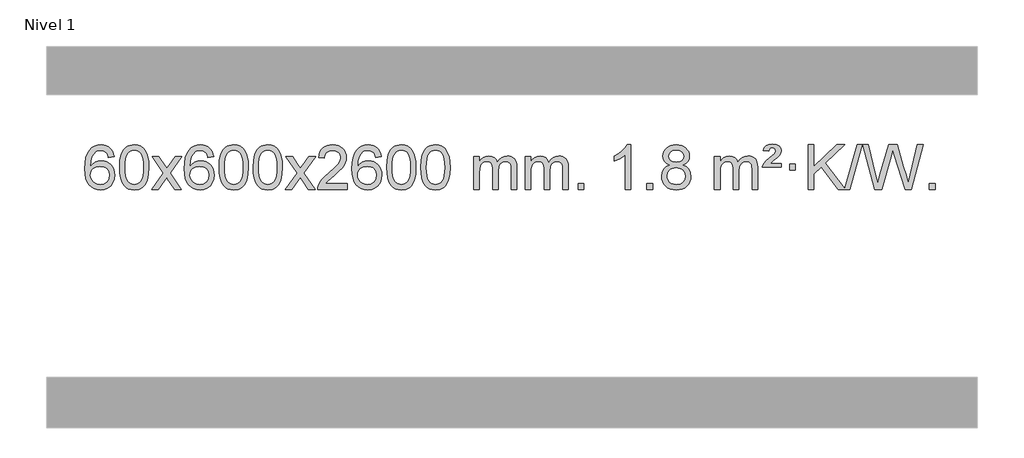
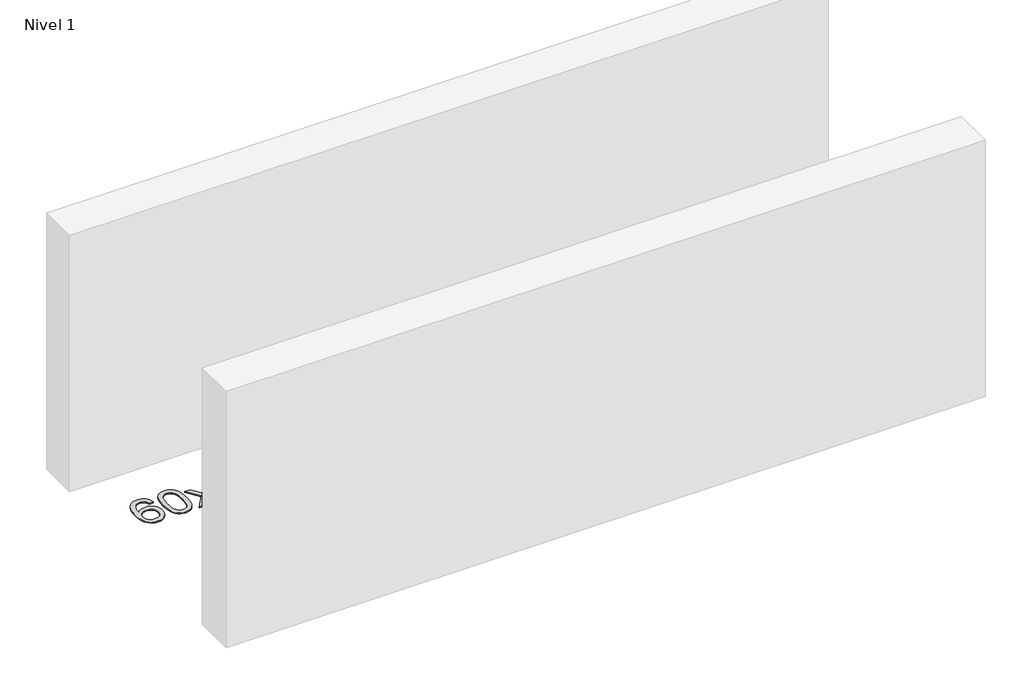
# One storey, part 8 of 8: 1 proxy.
"""IFC4 building model written with IfcOpenShell, lengths in millimetres."""

from ifc_helpers import new_model, si_unit, origin, origin_with_axes, place, context, project, spatial, polyline, outline, extrude, element, save

model = new_model("IFC4")

# Units and contexts
model_context = context("Model", 3, world=origin())
ifc_project = project(units=[si_unit("LENGTHUNIT", "METRE", prefix="MILLI")], contexts=[model_context])

# Site, building, storey
site = spatial("IfcSite", under=ifc_project)
building = spatial("IfcBuilding", under=site)
storey = spatial("IfcBuildingStorey", under=building, Name="Nivel 1", Elevation=0.0)

# Proxy
placement = place(None, origin())
element("IfcBuildingElementProxy", 1, Name="Texto de modelo 1", ObjectType="Texto de modelo 1", at=placement, inside=storey, context=model_context, shape_type="SweptSolid", body=[
    extrude(outline(polyline([(-12868.7310862, 5929.5109581), (-12918.9592412, 5923.2324387), (-12927.0526451, 5948.125787), (-12937.9910031, 5965.1219352), (-12960.7751614, 5980.7937082), (-12988.3172601, 5986.0176325), (-13011.665504, 5982.9764747), (-13033.6403219, 5973.8530012), (-13052.5126682, 5954.6372983), (-13067.9269238, 5928.1865829), (-13078.3379843, 5890.772984), (-13082.2007452, 5838.6686307), (-13062.0530746, 5862.1762902), (-13037.907753, 5878.7432427), (-13011.113681, 5888.565692), (-12983.0197593, 5891.8398418), (-12958.8867005, 5889.601893), (-12936.617577, 5882.8880466), (-12916.212389, 5871.6983025), (-12897.6711365, 5856.0326609), (-12882.2630122, 5836.8230894), (-12871.2572092, 5815.0015557), (-12864.6537274, 5790.5680599), (-12862.4525668, 5763.5226018), (-12866.5973706, 5727.5560055), (-12879.031782, 5694.213634), (-12898.7257315, 5665.9357713), (-12924.6491494, 5645.1627013), (-12955.6248134, 5632.397196), (-12990.4755011, 5628.1420276), (-13020.4180298, 5630.9624563), (-13047.4604222, 5639.4237421), (-13071.6026781, 5653.5258853), (-13092.8447976, 5673.2688857), (-13110.1628426, 5699.4866092), (-13122.5328746, 5733.0129217), (-13129.9548939, 5773.8478232), (-13132.4289003, 5821.9913136), (-13129.6820481, 5875.9657337), (-13121.4414914, 5922.0306908), (-13107.7072302, 5960.1861851), (-13088.4792646, 5990.4322165), (-13067.6387496, 6010.4756538), (-13043.4750339, 6024.7923948), (-13015.9881175, 6033.3824394), (-12985.1780004, 6036.2457876), (-12962.0443542, 6034.4738227), (-12941.1057374, 6029.1579278), (-12922.3621497, 6020.2981031), (-12905.8135913, 6007.8943485), (-12891.9076519, 5992.3635969), (-12881.0919212, 5974.1227814), (-12873.3663993, 5953.1719017), (-12868.7310862, 5929.5109581)]), holes=[polyline([(-13082.2007452, 5764.3074168), (-13079.2944775, 5742.0505561), (-13070.5756742, 5720.7992395), (-13057.0376168, 5702.527767), (-13039.6735866, 5689.2104388), (-13018.7165756, 5681.0802467), (-12994.3995757, 5678.3701827), (-12961.253408, 5683.9865145), (-12947.3382715, 5691.0069292), (-12935.1951, 5700.8355099), (-12925.3450595, 5713.0737176), (-12918.3093164, 5727.3230135), (-12912.6807219, 5761.8548701), (-12918.23574, 5795.0010379), (-12925.1795126, 5808.6218688), (-12934.9007944, 5820.274531), (-12947.0807541, 5829.6095366), (-12961.4005608, 5836.2773978), (-12996.4597149, 5841.6116867), (-13029.5568317, 5836.2773978), (-13057.2338205, 5820.274531), (-13068.1568501, 5808.7751529), (-13075.9590141, 5795.6141746), (-13080.6403124, 5780.7915958), (-13082.2007452, 5764.3074168)])]), origin_with_axes(), (0.0, 0.0, 1.0), 10.0),
    extrude(outline(polyline([(-12818.5029311, 5832.0958057), (-12814.8118484, 5896.4138412), (-12803.7386004, 5947.7088541), (-12785.3935515, 5986.7656593), (-12773.5354886, 6001.9990395), (-12759.8870665, 6014.3690716), (-12744.4023002, 6023.9401349), (-12727.0352044, 6030.7766086), (-12686.654024, 6036.2457876), (-12655.7028855, 6033.008426), (-12627.9891085, 6023.2963414), (-12604.8125428, 6007.4896783), (-12587.4730381, 5985.9685816), (-12574.3764391, 5958.9169922), (-12563.9285904, 5926.5188512), (-12557.0859853, 5885.3773814), (-12554.805117, 5832.0958057), (-12558.4594114, 5768.1456523), (-12569.4222949, 5716.9732667), (-12587.6569791, 5677.8796734), (-12599.487451, 5662.6003078), (-12613.1266759, 5650.1658964), (-12628.6298363, 5640.5304538), (-12646.0521145, 5633.6479948), (-12686.654024, 5628.1420276), (-12714.3187501, 5630.5332606), (-12738.8442164, 5637.7069595), (-12760.2304231, 5649.6631243), (-12778.47737, 5666.4017551), (-12795.988553, 5696.6600492), (-12808.4965408, 5734.3618224), (-12816.0013335, 5779.5070745), (-12818.5029311, 5832.0958057)]), holes=[polyline([(-12768.274776, 5832.1939076), (-12766.803248, 5788.5293805), (-12762.3886641, 5753.1851178), (-12755.0310242, 5726.1611196), (-12744.7303283, 5707.4573858), (-12732.2713914, 5694.7317344), (-12718.4390284, 5685.6419835), (-12703.2332393, 5680.1881329), (-12686.654024, 5678.3701827), (-12670.0748088, 5680.1942643), (-12654.8690196, 5685.6665089), (-12641.0366566, 5694.7869167), (-12628.5777197, 5707.5554876), (-12618.2770239, 5726.2898783), (-12610.919384, 5753.3077451), (-12606.5048, 5788.6090882), (-12605.033272, 5832.1939076), (-12606.4557491, 5874.7026722), (-12610.7231802, 5909.4246011), (-12617.8355655, 5936.3596945), (-12627.7929048, 5955.5079524), (-12640.0433752, 5968.8559375), (-12654.0351538, 5978.3902125), (-12669.7682404, 5984.1107775), (-12687.2426352, 5986.0176325), (-12703.7360113, 5984.3376381), (-12718.6842831, 5979.2976548), (-12732.0874504, 5970.8976825), (-12743.9455134, 5959.1377214), (-12754.5895658, 5938.291075), (-12762.1924604, 5910.1848906), (-12766.7541971, 5874.8191681), (-12768.274776, 5832.1939076)])]), origin_with_axes(), (0.0, 0.0, 1.0), 10.0),
    extrude(outline(polyline([(-12529.6910394, 5634.420547), (-12422.3675987, 5782.7505675), (-12523.41252, 5929.5109581), (-12462.981771, 5929.5109581), (-12414.2251439, 5858.877615), (-12391.4655111, 5825.5229808), (-12371.7470362, 5852.7952993), (-12316.2213804, 5929.5109581), (-12255.7906313, 5929.5109581), (-12361.9368496, 5782.7505675), (-12259.7147059, 5634.420547), (-12320.145455, 5634.420547), (-12381.6553246, 5723.5951426), (-12392.9370391, 5739.8800523), (-12469.2602903, 5634.420547), (-12529.6910394, 5634.420547)])), origin_with_axes(), (0.0, 0.0, 1.0), 10.0),
    extrude(outline(polyline([(-11970.9028142, 5929.5109581), (-12021.1309693, 5923.2324387), (-12029.2243732, 5948.125787), (-12040.1627312, 5965.1219352), (-12062.9468894, 5980.7937082), (-12090.4889881, 5986.0176325), (-12113.8372321, 5982.9764747), (-12135.8120499, 5973.8530012), (-12154.6843963, 5954.6372983), (-12170.0986519, 5928.1865829), (-12180.5097123, 5890.772984), (-12184.3724733, 5838.6686307), (-12164.2248027, 5862.1762902), (-12140.0794811, 5878.7432427), (-12113.2854091, 5888.565692), (-12085.1914874, 5891.8398418), (-12061.0584285, 5889.601893), (-12038.7893051, 5882.8880466), (-12018.3841171, 5871.6983025), (-11999.8428645, 5856.0326609), (-11984.4347403, 5836.8230894), (-11973.4289372, 5815.0015557), (-11966.8254554, 5790.5680599), (-11964.6242948, 5763.5226018), (-11968.7690986, 5727.5560055), (-11981.2035101, 5694.213634), (-12000.8974596, 5665.9357713), (-12026.8208775, 5645.1627013), (-12057.7965415, 5632.397196), (-12092.6472291, 5628.1420276), (-12122.5897579, 5630.9624563), (-12149.6321502, 5639.4237421), (-12173.7744061, 5653.5258853), (-12195.0165257, 5673.2688857), (-12212.3345706, 5699.4866092), (-12224.7046027, 5733.0129217), (-12232.1266219, 5773.8478232), (-12234.6006284, 5821.9913136), (-12231.8537761, 5875.9657337), (-12223.6132194, 5922.0306908), (-12209.8789583, 5960.1861851), (-12190.6509927, 5990.4322165), (-12169.8104776, 6010.4756538), (-12145.6467619, 6024.7923948), (-12118.1598455, 6033.3824394), (-12087.3497284, 6036.2457876), (-12064.2160823, 6034.4738227), (-12043.2774654, 6029.1579278), (-12024.5338777, 6020.2981031), (-12007.9853193, 6007.8943485), (-11994.0793799, 5992.3635969), (-11983.2636492, 5974.1227814), (-11975.5381274, 5953.1719017), (-11970.9028142, 5929.5109581)]), holes=[polyline([(-12184.3724733, 5764.3074168), (-12181.4662055, 5742.0505561), (-12172.7474022, 5720.7992395), (-12159.2093448, 5702.527767), (-12141.8453146, 5689.2104388), (-12120.8883036, 5681.0802467), (-12096.5713038, 5678.3701827), (-12063.425136, 5683.9865145), (-12049.5099995, 5691.0069292), (-12037.366828, 5700.8355099), (-12027.5167876, 5713.0737176), (-12020.4810444, 5727.3230135), (-12014.8524499, 5761.8548701), (-12020.407468, 5795.0010379), (-12027.3512407, 5808.6218688), (-12037.0725224, 5820.274531), (-12049.2524821, 5829.6095366), (-12063.5722888, 5836.2773978), (-12098.6314429, 5841.6116867), (-12131.7285598, 5836.2773978), (-12159.4055485, 5820.274531), (-12170.3285781, 5808.7751529), (-12178.1307421, 5795.6141746), (-12182.8120405, 5780.7915958), (-12184.3724733, 5764.3074168)])]), origin_with_axes(), (0.0, 0.0, 1.0), 10.0),
    extrude(outline(polyline([(-11920.6746591, 5832.0958057), (-11916.9835765, 5896.4138412), (-11905.9103284, 5947.7088541), (-11887.5652796, 5986.7656593), (-11875.7072166, 6001.9990395), (-11862.0587946, 6014.3690716), (-11846.5740283, 6023.9401349), (-11829.2069324, 6030.7766086), (-11788.8257521, 6036.2457876), (-11757.8746135, 6033.008426), (-11730.1608366, 6023.2963414), (-11706.9842709, 6007.4896783), (-11689.6447662, 5985.9685816), (-11676.5481671, 5958.9169922), (-11666.1003185, 5926.5188512), (-11659.2577134, 5885.3773814), (-11656.976845, 5832.0958057), (-11660.6311395, 5768.1456523), (-11671.5940229, 5716.9732667), (-11689.8287072, 5677.8796734), (-11701.659179, 5662.6003078), (-11715.298404, 5650.1658964), (-11730.8015644, 5640.5304538), (-11748.2238425, 5633.6479948), (-11788.8257521, 5628.1420276), (-11816.4904781, 5630.5332606), (-11841.0159444, 5637.7069595), (-11862.4021511, 5649.6631243), (-11880.6490981, 5666.4017551), (-11898.160281, 5696.6600492), (-11910.6682689, 5734.3618224), (-11918.1730616, 5779.5070745), (-11920.6746591, 5832.0958057)]), holes=[polyline([(-11870.4465041, 5832.1939076), (-11868.9749761, 5788.5293805), (-11864.5603921, 5753.1851178), (-11857.2027522, 5726.1611196), (-11846.9020564, 5707.4573858), (-11834.4431195, 5694.7317344), (-11820.6107564, 5685.6419835), (-11805.4049673, 5680.1881329), (-11788.8257521, 5678.3701827), (-11772.2465368, 5680.1942643), (-11757.0407477, 5685.6665089), (-11743.2083847, 5694.7869167), (-11730.7494478, 5707.5554876), (-11720.4487519, 5726.2898783), (-11713.091112, 5753.3077451), (-11708.676528, 5788.6090882), (-11707.2050001, 5832.1939076), (-11708.6274771, 5874.7026722), (-11712.8949083, 5909.4246011), (-11720.0072935, 5936.3596945), (-11729.9646328, 5955.5079524), (-11742.2151033, 5968.8559375), (-11756.2068818, 5978.3902125), (-11771.9399685, 5984.1107775), (-11789.4143633, 5986.0176325), (-11805.9077394, 5984.3376381), (-11820.8560111, 5979.2976548), (-11834.2591785, 5970.8976825), (-11846.1172414, 5959.1377214), (-11856.7612938, 5938.291075), (-11864.3641884, 5910.1848906), (-11868.9259251, 5874.8191681), (-11870.4465041, 5832.1939076)])]), origin_with_axes(), (0.0, 0.0, 1.0), 10.0),
    extrude(outline(polyline([(-11613.0272093, 5832.0958057), (-11609.3361266, 5896.4138412), (-11598.2628786, 5947.7088541), (-11579.9178297, 5986.7656593), (-11568.0597668, 6001.9990395), (-11554.4113447, 6014.3690716), (-11538.9265784, 6023.9401349), (-11521.5594826, 6030.7766086), (-11481.1783022, 6036.2457876), (-11450.2271637, 6033.008426), (-11422.5133867, 6023.2963414), (-11399.336821, 6007.4896783), (-11381.9973163, 5985.9685816), (-11368.9007173, 5958.9169922), (-11358.4528686, 5926.5188512), (-11351.6102635, 5885.3773814), (-11349.3293952, 5832.0958057), (-11352.9836896, 5768.1456523), (-11363.9465731, 5716.9732667), (-11382.1812573, 5677.8796734), (-11394.0117292, 5662.6003078), (-11407.6509541, 5650.1658964), (-11423.1541145, 5640.5304538), (-11440.5763927, 5633.6479948), (-11481.1783022, 5628.1420276), (-11508.8430283, 5630.5332606), (-11533.3684946, 5637.7069595), (-11554.7547013, 5649.6631243), (-11573.0016482, 5666.4017551), (-11590.5128312, 5696.6600492), (-11603.020819, 5734.3618224), (-11610.5256117, 5779.5070745), (-11613.0272093, 5832.0958057)]), holes=[polyline([(-11562.7990542, 5832.1939076), (-11561.3275262, 5788.5293805), (-11556.9129423, 5753.1851178), (-11549.5553024, 5726.1611196), (-11539.2546065, 5707.4573858), (-11526.7956696, 5694.7317344), (-11512.9633066, 5685.6419835), (-11497.7575175, 5680.1881329), (-11481.1783022, 5678.3701827), (-11464.599087, 5680.1942643), (-11449.3932978, 5685.6665089), (-11435.5609348, 5694.7869167), (-11423.1019979, 5707.5554876), (-11412.8013021, 5726.2898783), (-11405.4436622, 5753.3077451), (-11401.0290782, 5788.6090882), (-11399.5575502, 5832.1939076), (-11400.9800273, 5874.7026722), (-11405.2474584, 5909.4246011), (-11412.3598437, 5936.3596945), (-11422.317183, 5955.5079524), (-11434.5676534, 5968.8559375), (-11448.559432, 5978.3902125), (-11464.2925187, 5984.1107775), (-11481.7669134, 5986.0176325), (-11498.2602895, 5984.3376381), (-11513.2085613, 5979.2976548), (-11526.6117286, 5970.8976825), (-11538.4697916, 5959.1377214), (-11549.113844, 5938.291075), (-11556.7167386, 5910.1848906), (-11561.2784753, 5874.8191681), (-11562.7990542, 5832.1939076)])]), origin_with_axes(), (0.0, 0.0, 1.0), 10.0),
    extrude(outline(polyline([(-11324.2153176, 5634.420547), (-11216.8918769, 5782.7505675), (-11317.9367982, 5929.5109581), (-11257.5060492, 5929.5109581), (-11208.7494221, 5858.877615), (-11185.9897893, 5825.5229808), (-11166.2713144, 5852.7952993), (-11110.7456586, 5929.5109581), (-11050.3149095, 5929.5109581), (-11156.4611278, 5782.7505675), (-11054.2389841, 5634.420547), (-11114.6697332, 5634.420547), (-11176.1796028, 5723.5951426), (-11187.4613173, 5739.8800523), (-11263.7845685, 5634.420547), (-11324.2153176, 5634.420547)])), origin_with_axes(), (0.0, 0.0, 1.0), 10.0),
    extrude(outline(polyline([(-10765.4270924, 5684.6487021), (-10765.4270924, 5634.420547), (-11029.1249066, 5634.420547), (-11028.0212606, 5652.1034082), (-11023.729304, 5669.0505055), (-11011.3439435, 5696.1143576), (-10993.2196238, 5722.3688693), (-10967.0019003, 5749.8496544), (-10930.3363281, 5780.5923264), (-10876.1350475, 5828.7358169), (-10843.6142791, 5864.2732176), (-10827.3538949, 5893.115166), (-10821.9337669, 5921.1722995), (-10827.0473266, 5946.3231653), (-10842.3880058, 5967.2311253), (-10865.9692417, 5981.3210057), (-10895.8044715, 5986.0176325), (-10927.1357548, 5981.4313703), (-10951.4772801, 5967.6725837), (-10967.1858413, 5945.8203932), (-10972.6182321, 5916.9539193), (-11022.8463872, 5923.2324387), (-11018.5268394, 5949.161988), (-11010.6694931, 5971.8173875), (-10999.2743483, 5991.1986373), (-10984.341405, 6007.3057373), (-10966.2140197, 6019.9670093), (-10945.2355489, 6029.010775), (-10921.4059927, 6034.4370345), (-10894.725351, 6036.2457876), (-10867.805586, 6034.2346994), (-10843.8472711, 6028.2014346), (-10822.8504062, 6018.1459934), (-10804.8149914, 6004.0683758), (-10790.3296378, 5987.0109139), (-10779.9829567, 5968.0159402), (-10773.774948, 5947.0834547), (-10771.7056118, 5924.2134573), (-10773.9374292, 5900.1907631), (-10780.6328815, 5876.5850017), (-10792.51547, 5852.5745701), (-10810.3086958, 5827.3378653), (-10838.6723977, 5797.2083299), (-10882.2664141, 5758.5194067), (-10940.0484128, 5710.204238), (-10962.7099437, 5684.6487021), (-10765.4270924, 5684.6487021)])), origin_with_axes(), (0.0, 0.0, 1.0), 10.0),
    extrude(outline(polyline([(-10457.7796426, 5929.5109581), (-10508.0077977, 5923.2324387), (-10516.1012016, 5948.125787), (-10527.0395595, 5965.1219352), (-10549.8237178, 5980.7937082), (-10577.3658165, 5986.0176325), (-10600.7140604, 5982.9764747), (-10622.6888783, 5973.8530012), (-10641.5612246, 5954.6372983), (-10656.9754802, 5928.1865829), (-10667.3865407, 5890.772984), (-10671.2493017, 5838.6686307), (-10651.101631, 5862.1762902), (-10626.9563094, 5878.7432427), (-10600.1622374, 5888.565692), (-10572.0683158, 5891.8398418), (-10547.9352569, 5889.601893), (-10525.6661334, 5882.8880466), (-10505.2609454, 5871.6983025), (-10486.7196929, 5856.0326609), (-10471.3115686, 5836.8230894), (-10460.3057656, 5815.0015557), (-10453.7022838, 5790.5680599), (-10451.5011232, 5763.5226018), (-10455.645927, 5727.5560055), (-10468.0803384, 5694.213634), (-10487.7742879, 5665.9357713), (-10513.6977058, 5645.1627013), (-10544.6733698, 5632.397196), (-10579.5240575, 5628.1420276), (-10609.4665862, 5630.9624563), (-10636.5089786, 5639.4237421), (-10660.6512345, 5653.5258853), (-10681.893354, 5673.2688857), (-10699.211399, 5699.4866092), (-10711.5814311, 5733.0129217), (-10719.0034503, 5773.8478232), (-10721.4774567, 5821.9913136), (-10718.7306045, 5875.9657337), (-10710.4900478, 5922.0306908), (-10696.7557866, 5960.1861851), (-10677.527821, 5990.4322165), (-10656.687306, 6010.4756538), (-10632.5235903, 6024.7923948), (-10605.0366739, 6033.3824394), (-10574.2265568, 6036.2457876), (-10551.0929107, 6034.4738227), (-10530.1542938, 6029.1579278), (-10511.4107061, 6020.2981031), (-10494.8621477, 6007.8943485), (-10480.9562083, 5992.3635969), (-10470.1404776, 5974.1227814), (-10462.4149557, 5953.1719017), (-10457.7796426, 5929.5109581)]), holes=[polyline([(-10671.2493017, 5764.3074168), (-10668.3430339, 5742.0505561), (-10659.6242306, 5720.7992395), (-10646.0861732, 5702.527767), (-10628.722143, 5689.2104388), (-10607.765132, 5681.0802467), (-10583.4481321, 5678.3701827), (-10550.3019644, 5683.9865145), (-10536.3868279, 5691.0069292), (-10524.2436564, 5700.8355099), (-10514.393616, 5713.0737176), (-10507.3578728, 5727.3230135), (-10501.7292783, 5761.8548701), (-10507.2842964, 5795.0010379), (-10514.2280691, 5808.6218688), (-10523.9493508, 5820.274531), (-10536.1293105, 5829.6095366), (-10550.4491172, 5836.2773978), (-10585.5082713, 5841.6116867), (-10618.6053881, 5836.2773978), (-10646.2823769, 5820.274531), (-10657.2054065, 5808.7751529), (-10665.0075705, 5795.6141746), (-10669.6888689, 5780.7915958), (-10671.2493017, 5764.3074168)])]), origin_with_axes(), (0.0, 0.0, 1.0), 10.0),
    extrude(outline(polyline([(-10407.5514875, 5832.0958057), (-10403.8604048, 5896.4138412), (-10392.7871568, 5947.7088541), (-10374.4421079, 5986.7656593), (-10362.584045, 6001.9990395), (-10348.9356229, 6014.3690716), (-10333.4508566, 6023.9401349), (-10316.0837608, 6030.7766086), (-10275.7025804, 6036.2457876), (-10244.7514419, 6033.008426), (-10217.0376649, 6023.2963414), (-10193.8610992, 6007.4896783), (-10176.5215945, 5985.9685816), (-10163.4249955, 5958.9169922), (-10152.9771468, 5926.5188512), (-10146.1345417, 5885.3773814), (-10143.8536734, 5832.0958057), (-10147.5079679, 5768.1456523), (-10158.4708513, 5716.9732667), (-10176.7055355, 5677.8796734), (-10188.5360074, 5662.6003078), (-10202.1752323, 5650.1658964), (-10217.6783927, 5640.5304538), (-10235.1006709, 5633.6479948), (-10275.7025804, 5628.1420276), (-10303.3673065, 5630.5332606), (-10327.8927728, 5637.7069595), (-10349.2789795, 5649.6631243), (-10367.5259264, 5666.4017551), (-10385.0371094, 5696.6600492), (-10397.5450972, 5734.3618224), (-10405.0498899, 5779.5070745), (-10407.5514875, 5832.0958057)]), holes=[polyline([(-10357.3233324, 5832.1939076), (-10355.8518045, 5788.5293805), (-10351.4372205, 5753.1851178), (-10344.0795806, 5726.1611196), (-10333.7788847, 5707.4573858), (-10321.3199478, 5694.7317344), (-10307.4875848, 5685.6419835), (-10292.2817957, 5680.1881329), (-10275.7025804, 5678.3701827), (-10259.1233652, 5680.1942643), (-10243.9175761, 5685.6665089), (-10230.085213, 5694.7869167), (-10217.6262761, 5707.5554876), (-10207.3255803, 5726.2898783), (-10199.9679404, 5753.3077451), (-10195.5533564, 5788.6090882), (-10194.0818284, 5832.1939076), (-10195.5043055, 5874.7026722), (-10199.7717366, 5909.4246011), (-10206.8841219, 5936.3596945), (-10216.8414612, 5955.5079524), (-10229.0919316, 5968.8559375), (-10243.0837102, 5978.3902125), (-10258.8167969, 5984.1107775), (-10276.2911916, 5986.0176325), (-10292.7845677, 5984.3376381), (-10307.7328395, 5979.2976548), (-10321.1360068, 5970.8976825), (-10332.9940698, 5959.1377214), (-10343.6381222, 5938.291075), (-10351.2410168, 5910.1848906), (-10355.8027535, 5874.8191681), (-10357.3233324, 5832.1939076)])]), origin_with_axes(), (0.0, 0.0, 1.0), 10.0),
    extrude(outline(polyline([(-10099.9040377, 5832.0958057), (-10096.212955, 5896.4138412), (-10085.1397069, 5947.7088541), (-10066.7946581, 5986.7656593), (-10054.9365951, 6001.9990395), (-10041.2881731, 6014.3690716), (-10025.8034068, 6023.9401349), (-10008.4363109, 6030.7766086), (-9968.0551306, 6036.2457876), (-9937.1039921, 6033.008426), (-9909.3902151, 6023.2963414), (-9886.2136494, 6007.4896783), (-9868.8741447, 5985.9685816), (-9855.7775457, 5958.9169922), (-9845.329697, 5926.5188512), (-9838.4870919, 5885.3773814), (-9836.2062235, 5832.0958057), (-9839.860518, 5768.1456523), (-9850.8234015, 5716.9732667), (-9869.0580857, 5677.8796734), (-9880.8885575, 5662.6003078), (-9894.5277825, 5650.1658964), (-9910.0309429, 5640.5304538), (-9927.4532211, 5633.6479948), (-9968.0551306, 5628.1420276), (-9995.7198566, 5630.5332606), (-10020.245323, 5637.7069595), (-10041.6315296, 5649.6631243), (-10059.8784766, 5666.4017551), (-10077.3896596, 5696.6600492), (-10089.8976474, 5734.3618224), (-10097.4024401, 5779.5070745), (-10099.9040377, 5832.0958057)]), holes=[polyline([(-10049.6758826, 5832.1939076), (-10048.2043546, 5788.5293805), (-10043.7897707, 5753.1851178), (-10036.4321308, 5726.1611196), (-10026.1314349, 5707.4573858), (-10013.672498, 5694.7317344), (-9999.840135, 5685.6419835), (-9984.6343459, 5680.1881329), (-9968.0551306, 5678.3701827), (-9951.4759154, 5680.1942643), (-9936.2701262, 5685.6665089), (-9922.4377632, 5694.7869167), (-9909.9788263, 5707.5554876), (-9899.6781304, 5726.2898783), (-9892.3204905, 5753.3077451), (-9887.9059066, 5788.6090882), (-9886.4343786, 5832.1939076), (-9887.8568557, 5874.7026722), (-9892.1242868, 5909.4246011), (-9899.236672, 5936.3596945), (-9909.1940114, 5955.5079524), (-9921.4444818, 5968.8559375), (-9935.4362604, 5978.3902125), (-9951.169347, 5984.1107775), (-9968.6437418, 5986.0176325), (-9985.1371179, 5984.3376381), (-10000.0853897, 5979.2976548), (-10013.488557, 5970.8976825), (-10025.34662, 5959.1377214), (-10035.9906724, 5938.291075), (-10043.5935669, 5910.1848906), (-10048.1553037, 5874.8191681), (-10049.6758826, 5832.1939076)])]), origin_with_axes(), (0.0, 0.0, 1.0), 10.0),
    extrude(outline(polyline([(-9622.7365645, 5634.420547), (-9622.7365645, 5929.5109581), (-9572.5084094, 5929.5109581), (-9572.5084094, 5880.9505347), (-9557.4007221, 5903.2564463), (-9537.9765528, 5920.7308411), (-9514.8980889, 5932.0248184), (-9488.8275182, 5935.7894775), (-9460.8930121, 5931.951242), (-9438.5012613, 5920.4365355), (-9421.7748932, 5902.0056476), (-9410.8365352, 5877.4188676), (-9392.5282746, 5902.9560094), (-9371.64484, 5921.196825), (-9348.1862315, 5932.1413143), (-9322.1524489, 5935.7894775), (-9302.0446322, 5934.2719642), (-9284.3954935, 5929.7194245), (-9269.2050328, 5922.1318584), (-9256.4732501, 5911.5092658), (-9246.4086118, 5897.7290194), (-9239.2195845, 5880.6684918), (-9234.9061681, 5860.3276832), (-9233.4683626, 5836.7065934), (-9233.4683626, 5634.420547), (-9283.6965177, 5634.420547), (-9283.6965177, 5815.124183), (-9284.8614774, 5840.1769469), (-9288.3563563, 5857.0627305), (-9294.9046558, 5868.6264879), (-9305.2298772, 5877.7131732), (-9318.5104172, 5883.5992851), (-9333.9246728, 5885.5613224), (-9361.1356777, 5880.5336018), (-9383.318962, 5865.45044), (-9391.924335, 5853.8805512), (-9398.07103, 5839.2817674), (-9402.988386, 5800.9975144), (-9402.988386, 5634.420547), (-9453.2165411, 5634.420547), (-9453.2165411, 5820.7159894), (-9456.1228088, 5849.1164794), (-9464.8416121, 5869.3745146), (-9480.1822913, 5881.5146204), (-9502.9541868, 5885.5613224), (-9522.3047798, 5882.8635211), (-9540.1347938, 5874.7701172), (-9554.8500736, 5861.4773144), (-9564.8564639, 5843.1813165), (-9570.595423, 5817.7974589), (-9572.5084094, 5783.2410768), (-9572.5084094, 5634.420547), (-9622.7365645, 5634.420547)])), origin_with_axes(), (0.0, 0.0, 1.0), 10.0),
    extrude(outline(polyline([(-9158.12613, 5634.420547), (-9158.12613, 5929.5109581), (-9107.8979749, 5929.5109581), (-9107.8979749, 5880.9505347), (-9092.7902877, 5903.2564463), (-9073.3661183, 5920.7308411), (-9050.2876545, 5932.0248184), (-9024.2170838, 5935.7894775), (-8996.2825776, 5931.951242), (-8973.8908268, 5920.4365355), (-8957.1644588, 5902.0056476), (-8946.2261008, 5877.4188676), (-8927.9178402, 5902.9560094), (-8907.0344056, 5921.196825), (-8883.575797, 5932.1413143), (-8857.5420145, 5935.7894775), (-8837.4341978, 5934.2719642), (-8819.7850591, 5929.7194245), (-8804.5945983, 5922.1318584), (-8791.8628156, 5911.5092658), (-8781.7981774, 5897.7290194), (-8774.6091501, 5880.6684918), (-8770.2957337, 5860.3276832), (-8768.8579282, 5836.7065934), (-8768.8579282, 5634.420547), (-8819.0860833, 5634.420547), (-8819.0860833, 5815.124183), (-8820.2510429, 5840.1769469), (-8823.7459219, 5857.0627305), (-8830.2942214, 5868.6264879), (-8840.6194427, 5877.7131732), (-8853.8999827, 5883.5992851), (-8869.3142383, 5885.5613224), (-8896.5252433, 5880.5336018), (-8918.7085276, 5865.45044), (-8927.3139006, 5853.8805512), (-8933.4605956, 5839.2817674), (-8938.3779516, 5800.9975144), (-8938.3779516, 5634.420547), (-8988.6061066, 5634.420547), (-8988.6061066, 5820.7159894), (-8991.5123744, 5849.1164794), (-9000.2311777, 5869.3745146), (-9015.5718569, 5881.5146204), (-9038.3437524, 5885.5613224), (-9057.6943453, 5882.8635211), (-9075.5243594, 5874.7701172), (-9090.2396392, 5861.4773144), (-9100.2460294, 5843.1813165), (-9105.9849886, 5817.7974589), (-9107.8979749, 5783.2410768), (-9107.8979749, 5634.420547), (-9158.12613, 5634.420547)])), origin_with_axes(), (0.0, 0.0, 1.0), 10.0),
    extrude(outline(polyline([(-8680.9586568, 5634.420547), (-8680.9586568, 5684.6487021), (-8630.7305017, 5684.6487021), (-8630.7305017, 5634.420547), (-8680.9586568, 5634.420547)])), origin_with_axes(), (0.0, 0.0, 1.0), 10.0),
    extrude(outline(polyline([(-8203.7911836, 5634.420547), (-8254.0193387, 5634.420547), (-8254.0193387, 5947.5617013), (-8274.9886124, 5930.6023413), (-8301.5987434, 5913.6675068), (-8354.4756488, 5888.3081746), (-8354.4756488, 5935.7894775), (-8315.0264362, 5957.2492605), (-8280.8501989, 5982.780271), (-8253.9089741, 6009.9299622), (-8236.1647992, 6036.2457876), (-8203.7911836, 6036.2457876), (-8203.7911836, 5634.420547)])), origin_with_axes(), (0.0, 0.0, 1.0), 10.0),
    extrude(outline(polyline([(-8059.3852378, 5634.420547), (-8059.3852378, 5684.6487021), (-8009.1570827, 5684.6487021), (-8009.1570827, 5634.420547), (-8059.3852378, 5634.420547)])), origin_with_axes(), (0.0, 0.0, 1.0), 10.0),
    extrude(outline(polyline([(-7854.3523391, 5855.7383553), (-7881.244513, 5868.9821071), (-7900.1168593, 5886.9347485), (-7911.2636838, 5909.2283974), (-7914.9792919, 5935.4951719), (-7912.9559409, 5955.9800676), (-7906.885888, 5974.7604435), (-7896.7691332, 5991.8362994), (-7882.6056763, 6007.2076355), (-7865.0760993, 6019.911827), (-7844.8609836, 6028.9862496), (-7821.9603294, 6034.4309031), (-7796.3741367, 6036.2457876), (-7770.6653166, 6034.3879835), (-7747.5929841, 6028.8145713), (-7727.1571393, 6019.5255509), (-7709.3577821, 6006.5209224), (-7694.9368079, 5990.8491494), (-7684.636112, 5973.5586956), (-7678.4556945, 5954.6495611), (-7676.3955553, 5934.1217457), (-7680.0621125, 5908.7010999), (-7691.0617842, 5886.7875957), (-7709.5171976, 5868.9453189), (-7735.5509801, 5855.7383553), (-7704.6366298, 5839.8090649), (-7682.1345144, 5816.3504564), (-7668.412516, 5786.4907011), (-7663.8385165, 5751.3579705), (-7666.1071222, 5726.3052067), (-7672.9129391, 5703.3371074), (-7684.2559673, 5682.4536728), (-7700.1362067, 5663.6549029), (-7719.7197916, 5648.11802), (-7742.1728561, 5637.0202464), (-7767.4954001, 5630.3615823), (-7795.6874236, 5628.1420276), (-7823.8794472, 5630.3707794), (-7849.2019912, 5637.0570346), (-7871.6550556, 5648.2007934), (-7891.2386405, 5663.8020557), (-7907.11888, 5682.73265), (-7918.4619081, 5703.864405), (-7925.2677251, 5727.1973205), (-7927.5363307, 5752.7313967), (-7922.7783902, 5789.2252906), (-7908.5045688, 5819.2444614), (-7885.4506304, 5841.7588395), (-7854.3523391, 5855.7383553)]), holes=[polyline([(-7877.3081756, 5754.4972302), (-7875.2112482, 5735.2815274), (-7868.9204661, 5716.6789611), (-7857.3076578, 5700.4553651), (-7839.2446518, 5688.376573), (-7817.6131905, 5680.8717803), (-7795.2950162, 5678.3701827), (-7761.1065161, 5683.6308952), (-7747.2128394, 5690.2067859), (-7735.4528783, 5699.4130328), (-7719.4132233, 5723.3130998), (-7714.0666716, 5752.9276004), (-7719.5849015, 5783.0448731), (-7736.1395913, 5807.4722375), (-7748.2183835, 5816.9145421), (-7762.3818403, 5823.6590453), (-7796.9627479, 5829.0546479), (-7830.6730014, 5823.7326217), (-7844.4103282, 5817.080089), (-7856.0691218, 5807.7665431), (-7871.9984122, 5783.8051625), (-7877.3081756, 5754.4972302)]), polyline([(-7864.7511368, 5934.0236439), (-7860.2997647, 5912.097877), (-7846.9456483, 5894.586694), (-7825.081195, 5883.1087757), (-7795.0988124, 5879.282803), (-7765.8154056, 5883.0842503), (-7744.2820462, 5894.4885921), (-7731.0382943, 5911.4111639), (-7726.6237104, 5931.767301), (-7731.1854471, 5952.8959902), (-7744.8706574, 5970.370385), (-7766.6983224, 5982.1058206), (-7795.6874236, 5986.0176325), (-7824.8604658, 5982.1916598), (-7846.6513427, 5970.7137415), (-7860.2261883, 5953.8892716), (-7864.7511368, 5934.0236439)])]), origin_with_axes(), (0.0, 0.0, 1.0), 10.0),
    extrude(outline(polyline([(-7450.3688575, 5634.420547), (-7450.3688575, 5929.5109581), (-7400.1407024, 5929.5109581), (-7400.1407024, 5880.9505347), (-7385.0330151, 5903.2564463), (-7365.6088458, 5920.7308411), (-7342.530382, 5932.0248184), (-7316.4598112, 5935.7894775), (-7288.5253051, 5931.951242), (-7266.1335543, 5920.4365355), (-7249.4071862, 5902.0056476), (-7238.4688283, 5877.4188676), (-7220.1605676, 5902.9560094), (-7199.277133, 5921.196825), (-7175.8185245, 5932.1413143), (-7149.784742, 5935.7894775), (-7129.6769252, 5934.2719642), (-7112.0277865, 5929.7194245), (-7096.8373258, 5922.1318584), (-7084.1055431, 5911.5092658), (-7074.0409048, 5897.7290194), (-7066.8518775, 5880.6684918), (-7062.5384611, 5860.3276832), (-7061.1006556, 5836.7065934), (-7061.1006556, 5634.420547), (-7111.3288107, 5634.420547), (-7111.3288107, 5815.124183), (-7112.4937704, 5840.1769469), (-7115.9886493, 5857.0627305), (-7122.5369488, 5868.6264879), (-7132.8621702, 5877.7131732), (-7146.1427102, 5883.5992851), (-7161.5569658, 5885.5613224), (-7188.7679707, 5880.5336018), (-7210.951255, 5865.45044), (-7219.556628, 5853.8805512), (-7225.703323, 5839.2817674), (-7230.620679, 5800.9975144), (-7230.620679, 5634.420547), (-7280.8488341, 5634.420547), (-7280.8488341, 5820.7159894), (-7283.7551019, 5849.1164794), (-7292.4739051, 5869.3745146), (-7307.8145843, 5881.5146204), (-7330.5864798, 5885.5613224), (-7349.9370728, 5882.8635211), (-7367.7670868, 5874.7701172), (-7382.4823666, 5861.4773144), (-7392.4887569, 5843.1813165), (-7398.227716, 5817.7974589), (-7400.1407024, 5783.2410768), (-7400.1407024, 5634.420547), (-7450.3688575, 5634.420547)])), origin_with_axes(), (0.0, 0.0, 1.0), 10.0),
    extrude(outline(polyline([(-7017.15102, 5835.3331673), (-7013.3250472, 5851.1520931), (-7004.9863887, 5867.0200698), (-6983.4775547, 5892.1586728), (-6951.520872, 5919.8969753), (-6907.3750326, 5957.273786), (-6900.2381219, 5968.8007552), (-6897.8591517, 5980.6220299), (-6899.7476126, 5992.7130848), (-6905.4129953, 6002.4987459), (-6914.7817234, 6008.973469), (-6927.7802206, 6011.1317101), (-6940.214632, 6009.5130293), (-6949.0683254, 6004.656987), (-6955.4939976, 5995.1901569), (-6960.6443455, 5979.7391131), (-7010.8725006, 5986.0176325), (-7000.0322444, 6011.2298119), (-6983.4039783, 6028.7900458), (-6959.6388014, 6039.0907417), (-6927.3878131, 6042.524307), (-6891.6051577, 6038.3917659), (-6866.8589622, 6025.9941427), (-6852.437988, 6007.6613566), (-6847.6309966, 5985.7233269), (-6851.7267495, 5962.8165414), (-6864.0140081, 5941.1850801), (-6884.5418234, 5921.3685032), (-6921.0111919, 5893.3113697), (-6946.6157787, 5866.7257642), (-6847.6309966, 5866.7257642), (-6847.6309966, 5835.3331673), (-7017.15102, 5835.3331673)])), origin_with_axes(), (0.0, 0.0, 1.0), 10.0),
    extrude(outline(polyline([(-6772.288764, 5810.2190898), (-6772.288764, 5860.4472448), (-6722.0606089, 5860.4472448), (-6722.0606089, 5810.2190898), (-6772.288764, 5810.2190898)])), origin_with_axes(), (0.0, 0.0, 1.0), 10.0),
    extrude(outline(polyline([(-6331.4189809, 5634.420547), (-6484.8502984, 5837.0990009), (-6552.5405855, 5772.5479735), (-6552.5405855, 5634.420547), (-6602.7687406, 5634.420547), (-6602.7687406, 6036.2457876), (-6552.5405855, 6036.2457876), (-6552.5405855, 5839.5515475), (-6346.5266682, 6036.2457876), (-6276.2857326, 6036.2457876), (-6449.2393213, 5871.0422463), (-6274.5857114, 5640.4650668), (-6163.2723837, 6036.2457876), (-6117.9493219, 6036.2457876), (-6230.9626708, 5634.420547), (-6270.0072132, 5634.420547), (-6276.2857326, 5634.420547), (-6331.4189809, 5634.420547)])), origin_with_axes(), (0.0, 0.0, 1.0), 10.0),
    extrude(outline(polyline([(-6003.464445, 5634.420547), (-6113.0442286, 6036.2457876), (-6061.2464437, 6036.2457876), (-5997.6764349, 5772.155566), (-5978.0560618, 5690.6329159), (-5957.0622627, 5762.7377869), (-5877.403548, 6036.2457876), (-5802.7480284, 6036.2457876), (-5744.8679278, 5837.9819177), (-5720.0726814, 5764.4055186), (-5701.8012089, 5690.6329159), (-5682.7694471, 5769.8011212), (-5618.6108271, 6036.2457876), (-5566.8130422, 6036.2457876), (-5676.4909277, 5634.420547), (-5730.152648, 5634.420547), (-5826.4886798, 5944.4224416), (-5839.9286354, 5987.6853642), (-5855.0363227, 5935.5932737), (-5942.8374922, 5634.420547), (-6003.464445, 5634.420547)])), origin_with_axes(), (0.0, 0.0, 1.0), 10.0),
    extrude(outline(polyline([(-5510.3063677, 5634.420547), (-5510.3063677, 5684.6487021), (-5460.0782126, 5684.6487021), (-5460.0782126, 5634.420547), (-5510.3063677, 5634.420547)])), origin_with_axes(), (0.0, 0.0, 1.0), 10.0),
])

save(model, "model.ifc")
